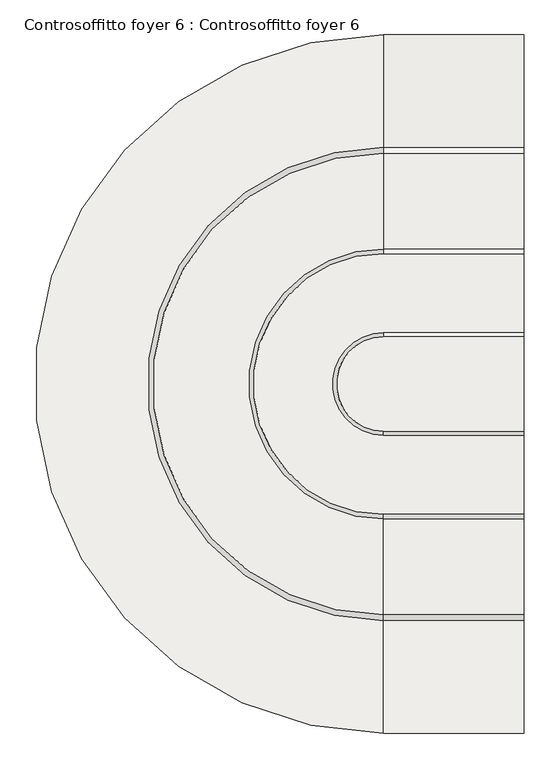
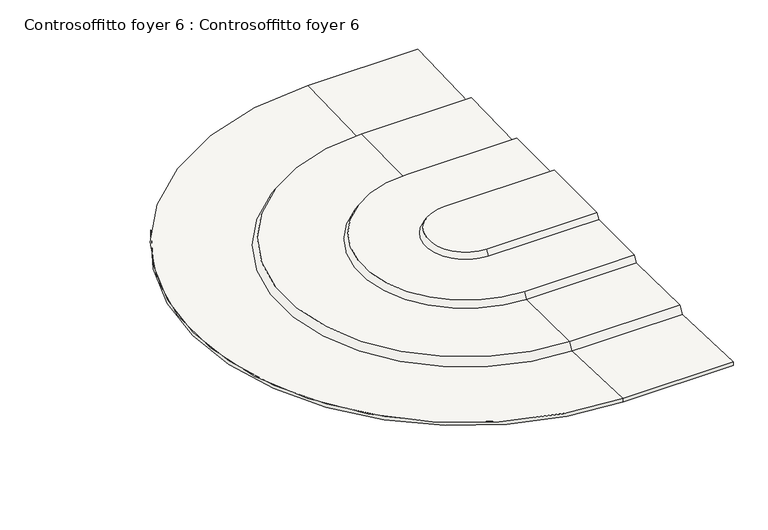
"""IFC4 building model written with IfcOpenShell, lengths in millimetres: slab geometry, Controsoffitto foyer 6 : Controsoffitto foyer 6."""

import ifcopenshell
import ifcopenshell.guid

model = None  # the IFC model being written
_history = None  # IfcOwnerHistory: only IFC2X3 demands one
_inside = {}  # id of a spatial element -> (the spatial element, [elements in it])
_under = {}  # id of a project, library or spatial element -> (it, [spatial elements below it])
_declared = {}  # id of a project -> (the project, [libraries it declares])
_typed = {}  # id of a type object -> (the type object, [elements of that type])
_made_of = {}  # id of a material, layer set ... -> (it, [elements and type objects made of it])


def new_model(schema):
    """Start an empty IFC model of exactly this schema.

    Asked for "IFC4X3", IfcOpenShell would pick the latest addendum, in which some entities
    have other attributes; the version numbers below select the first issue.
    IFC2X3 requires an IfcOwnerHistory on every rooted entity: one is made here for all.
    """
    global model, _history
    if schema == "IFC4X3":
        model = ifcopenshell.file(schema_version=(4, 3, 0, 0))
    else:
        model = ifcopenshell.file(schema=schema)
    _inside.clear()
    _under.clear()
    _declared.clear()
    _typed.clear()
    _made_of.clear()
    _history = None
    if model.schema == "IFC2X3":
        org = make("IfcOrganization", Name="unknown")
        user = make(
            "IfcPersonAndOrganization",
            ThePerson=make("IfcPerson", FamilyName="unknown"),
            TheOrganization=org,
        )
        app = make(
            "IfcApplication",
            ApplicationDeveloper=org,
            Version="unknown",
            ApplicationFullName="unknown",
            ApplicationIdentifier="unknown",
        )
        _history = make(
            "IfcOwnerHistory",
            OwningUser=user,
            OwningApplication=app,
            ChangeAction="ADDED",
            CreationDate=0,
        )
    return model


def make(cls, **values):
    """One entity of the class cls with the attributes given. An attribute that is None is left unset."""
    return model.create_entity(
        cls, **{name: value for name, value in values.items() if value is not None}
    )


def rooted(cls, **values):
    """An entity with a GlobalId (a new one), such as an element, a storey or a relation."""
    return make(cls, GlobalId=ifcopenshell.guid.new(), OwnerHistory=_history, **values)


def si_unit(unit_type, name, prefix=None):
    """IfcSIUnit, for example si_unit("LENGTHUNIT", "METRE", prefix="MILLI")."""
    return make("IfcSIUnit", UnitType=unit_type, Prefix=prefix, Name=name)


def assignment(units):
    """IfcUnitAssignment: the units of a project."""
    return None if units is None else make("IfcUnitAssignment", Units=units)


def point(xyz):
    """IfcCartesianPoint."""
    return None if xyz is None else make("IfcCartesianPoint", Coordinates=xyz)


def direction(xyz):
    """IfcDirection."""
    return None if xyz is None else make("IfcDirection", DirectionRatios=xyz)


def frame(location, z_axis=None, x_axis=None):
    """IfcAxis2Placement3D, a coordinate frame: its origin and axes. An axis left out is left unset."""
    return make(
        "IfcAxis2Placement3D",
        Location=point(location),
        Axis=direction(z_axis),
        RefDirection=direction(x_axis),
    )


def origin():
    """The frame at (0, 0, 0) with its axes left unset."""
    return frame((0.0, 0.0, 0.0))


def place(relative_to, where):
    """IfcLocalPlacement: puts the frame where relative to a parent placement (None: the world)."""
    return make(
        "IfcLocalPlacement", PlacementRelTo=relative_to, RelativePlacement=where
    )


def context(
    kind, dimensions, precision=None, world=None, true_north=None, identifier=None
):
    """IfcGeometricRepresentationContext, for example the 3D "Model" context."""
    return make(
        "IfcGeometricRepresentationContext",
        ContextIdentifier=identifier,
        ContextType=kind,
        CoordinateSpaceDimension=dimensions,
        Precision=precision,
        WorldCoordinateSystem=world,
        TrueNorth=true_north,
    )


def project(units=None, contexts=None):
    """IfcProject with its units and contexts."""
    return rooted(
        "IfcProject",
        Name="project",
        RepresentationContexts=contexts,
        UnitsInContext=assignment(units),
    )


def spatial(cls, under=None, at=None, **own):
    """A site, building, storey or space (cls), placed at a placement, below another one or the project."""
    s = rooted(cls, ObjectPlacement=at, **own)
    if under is not None:
        _under.setdefault(under.id(), (under, []))[1].append(s)
    return s


def polyline(points):
    """IfcPolyline through the points."""
    return make("IfcPolyline", Points=[point(p) for p in points])


def circle_curve(where, radius):
    """IfcCircle in the frame where."""
    return make("IfcCircle", Position=where, Radius=radius)


def shape(context_of_items, identifier, shape_type, items):
    """IfcShapeRepresentation: the items that make up one representation, for example the "Body"."""
    return make(
        "IfcShapeRepresentation",
        ContextOfItems=context_of_items,
        RepresentationIdentifier=identifier,
        RepresentationType=shape_type,
        Items=items,
    )


def source(mapping_origin, context_of_items, identifier, shape_type, items):
    """IfcRepresentationMap: a shape defined once, which mapped items show again and again."""
    return make(
        "IfcRepresentationMap",
        MappingOrigin=mapping_origin,
        MappedRepresentation=shape(context_of_items, identifier, shape_type, items),
    )


def transform(
    local_origin,
    x_axis=None,
    y_axis=None,
    z_axis=None,
    scale=None,
    scale2=None,
    scale3=None,
    uniform=True,
):
    """IfcCartesianTransformationOperator3D, or its non-uniform kind. x_axis, y_axis, z_axis: its Axis1, 2, 3."""
    if uniform:
        return make(
            "IfcCartesianTransformationOperator3D",
            Axis1=direction(x_axis),
            Axis2=direction(y_axis),
            LocalOrigin=point(local_origin),
            Scale=scale,
            Axis3=direction(z_axis),
        )
    return make(
        "IfcCartesianTransformationOperator3DnonUniform",
        Axis1=direction(x_axis),
        Axis2=direction(y_axis),
        LocalOrigin=point(local_origin),
        Scale=scale,
        Axis3=direction(z_axis),
        Scale2=scale2,
        Scale3=scale3,
    )


def mapped(mapping_source, mapping_target):
    """IfcMappedItem: shows the shape of a source again, moved by a transform."""
    return make(
        "IfcMappedItem", MappingSource=mapping_source, MappingTarget=mapping_target
    )


def made_of(thing, what):
    """Note that an element or type object is made of a material, layer set ...; save() writes the relation."""
    if what is not None:
        _made_of.setdefault(what.id(), (what, []))[1].append(thing)
    return thing


def element(
    cls,
    number,
    at=None,
    inside=None,
    cuts=None,
    type_object=None,
    material=None,
    context=None,
    identifier="Body",
    shape_type=None,
    held_by="IfcProductDefinitionShape",
    body=None,
    shapes=None,
    **own,
):
    """One element of the class cls, such as IfcWall. Its Tag is "e" and its number.

    at: its placement. inside: the storey or other place that contains it. cuts: it is an
    opening in that element (IfcRelVoidsElement). A single representation is given by context,
    identifier, shape_type and body (its items); several are given by shapes. held_by: the class
    of the entity that holds the representations. save() writes the other relations.
    """
    e = rooted(cls, Tag="e%d" % number, ObjectPlacement=at, **own)
    if body is not None:
        shapes = [shape(context, identifier, shape_type, body)]
    if shapes is not None:
        e.Representation = make(held_by, Representations=shapes)
    if inside is not None:
        _inside.setdefault(inside.id(), (inside, []))[1].append(e)
    if cuts is not None:
        rooted(
            "IfcRelVoidsElement", RelatingBuildingElement=cuts, RelatedOpeningElement=e
        )
    if type_object is not None:
        _typed.setdefault(type_object.id(), (type_object, []))[1].append(e)
    return made_of(e, material)


def aggregate(whole, parts):
    """IfcRelAggregates: a whole, such as a stair, and the parts it consists of."""
    return rooted("IfcRelAggregates", RelatingObject=whole, RelatedObjects=parts)


def save(model, path):
    """Write the relations noted so far, then the file.

    IfcRelAggregates (storeys below a building ...), IfcRelContainedInSpatialStructure (elements
    in a storey), IfcRelDefinesByType, IfcRelAssociatesMaterial and IfcRelDeclares: one each for
    every whole, place, type object, material and project.
    """
    for whole, parts in _under.values():
        aggregate(whole, parts)
    for where, things in _inside.values():
        rooted(
            "IfcRelContainedInSpatialStructure",
            RelatedElements=things,
            RelatingStructure=where,
        )
    for kind, things in _typed.values():
        rooted("IfcRelDefinesByType", RelatedObjects=things, RelatingType=kind)
    for what, things in _made_of.values():
        rooted("IfcRelAssociatesMaterial", RelatedObjects=things, RelatingMaterial=what)
    for by, libraries in _declared.values():
        rooted("IfcRelDeclares", RelatingContext=by, RelatedDefinitions=libraries)
    model.write(path)


def plane_surface(at):
    """IfcPlane: the flat surface through the origin of the frame at, square to its z axis."""
    return make("IfcPlane", Position=at)


def cylinder_surface(at, radius):
    """IfcCylindricalSurface: all points at the distance radius from the z axis of the frame at."""
    return make("IfcCylindricalSurface", Position=at, Radius=radius)


def revolved_surface(curve, axis_point, axis_direction):
    """IfcSurfaceOfRevolution: the curve turned about the line through axis_point along axis_direction."""
    return make(
        "IfcSurfaceOfRevolution",
        SweptCurve=make("IfcArbitraryOpenProfileDef", ProfileType="CURVE", Curve=curve),
        AxisPosition=make("IfcAxis1Placement", Location=point(axis_point), Axis=direction(axis_direction)),
    )


def advanced_brep(points, edges, surfaces, faces):
    """IfcAdvancedBrep: a solid bounded by faces that lie on surfaces and meet in shared edges.

    An edge is (start, end): straight between two places in points (the first is 0);
    or (start, end, curve); or (start, end, curve, False) where it runs against its curve.
    A face is (place in surfaces, loops), or (place, loops, False) where it looks against
    its surface's normal. A loop lists edges by number (the first is 1), with a minus sign
    where the edge is run from its end to its start. The first loop is the outer one.
    """
    corners = [point(p) for p in points]
    vertices = [make("IfcVertexPoint", VertexGeometry=c) for c in corners]
    made = []
    for start, end, *more in edges:
        made.append(
            make(
                "IfcEdgeCurve",
                EdgeStart=vertices[start],
                EdgeEnd=vertices[end],
                EdgeGeometry=more[0] if more else make("IfcPolyline", Points=[corners[start], corners[end]]),
                SameSense=more[1] if len(more) > 1 else True,
            )
        )
    hull = []
    for where, loops, *sense in faces:
        bounds = []
        for j, loop in enumerate(loops):
            ring = [make("IfcOrientedEdge", EdgeElement=made[abs(k) - 1], Orientation=k > 0) for k in loop]
            bounds.append(
                make(
                    "IfcFaceOuterBound" if j == 0 else "IfcFaceBound",
                    Bound=make("IfcEdgeLoop", EdgeList=ring),
                    Orientation=True,
                )
            )
        hull.append(make("IfcAdvancedFace", Bounds=bounds, FaceSurface=surfaces[where], SameSense=sense[0] if sense else True))
    return make("IfcAdvancedBrep", Outer=make("IfcClosedShell", CfsFaces=hull))


def controsoffitto_foyer_6_controsoffitto_foyer_6_a3037f4d(model_context):
    return source(origin(), model_context, "Body", "AdvancedBrep", [
        advanced_brep(
        [(-12165.4030832, 117091.5342951, 6370.0), (-12165.4030832, 117142.0651147, 6457.5219468), (-12165.4030832, 118009.510193, 6444.6868378), (-12165.4030832, 118050.7436482, 6516.1052772), (-12165.4030832, 118765.7546113, 6516.1052772), (-12165.4030832, 118802.6442467, 6580.0), (-12165.4030832, 119610.3435118, 6580.0), (-12165.4030832, 119647.2331472, 6516.1052772), (-12165.4030832, 120362.2441102, 6516.1052772), (-12165.4030832, 120403.4775655, 6444.6868378), (-12165.4030832, 121270.9226438, 6457.5219468), (-12165.4030832, 121321.4534633, 6370.0), (-12165.4030832, 122361.6793283, 6405.3996345), (-12165.4030832, 122361.6793283, 6445.4227896), (-12165.4030832, 121344.0893633, 6410.7934711), (-12165.4030832, 121293.8185331, 6497.8651032), (-12165.4030832, 120426.3734548, 6485.0299942), (-12165.4030832, 120385.338121, 6556.1052772), (-12165.4030832, 119670.3271579, 6556.1052772), (-12165.4030832, 119633.4350312, 6620.004315), (-12165.4030832, 118779.5527272, 6620.004315), (-12165.4030832, 118742.6606005, 6556.1052772), (-12165.4030832, 118027.6496374, 6556.1052772), (-12165.4030832, 117986.6143036, 6485.0299942), (-12165.4030832, 117119.1692253, 6497.8651032), (-12165.4030832, 117068.8983951, 6410.7934711), (-12165.4030832, 116051.3084301, 6445.4227896), (-12165.4030832, 116051.3084301, 6405.3996345), (-13433.9238268, 117091.5342951, 6370.0), (-13433.9238268, 117142.0651147, 6457.5219468), (-13433.9238268, 118009.510193, 6444.6868378), (-13433.9238268, 118050.7436482, 6516.1052772), (-13433.9238268, 120362.2441102, 6516.1052772), (-13433.9238268, 119647.2331472, 6516.1052772), (-13433.9238268, 118765.7546113, 6516.1052772), (-13433.9238268, 118802.6442467, 6580.0), (-13433.9238268, 119633.4350312, 6620.004315), (-13433.9238268, 118779.5527272, 6620.004315), (-13433.9238268, 118742.6606005, 6556.1052772), (-13433.9238268, 119670.3271579, 6556.1052772), (-13433.9238268, 120385.338121, 6556.1052772), (-13433.9238268, 118027.6496374, 6556.1052772), (-13433.9238268, 117986.6143036, 6485.0299942), (-13433.9238268, 117119.1692253, 6497.8651032), (-13433.9238268, 117068.8983951, 6410.7934711), (-13433.9238268, 116051.3084301, 6445.4227896), (-13433.9238268, 116051.3084301, 6405.3996345), (-13433.9238268, 121321.4534633, 6370.0), (-13433.9238268, 121270.9226438, 6457.5219468), (-13433.9238268, 120403.4775655, 6444.6868378), (-13433.9238268, 119610.3435118, 6580.0), (-13433.9238268, 120426.3734548, 6485.0299942), (-13433.9238268, 121293.8185331, 6497.8651032), (-13433.9238268, 121344.0893633, 6410.7934711), (-13433.9238268, 122361.6793283, 6445.4227896), (-13433.9238268, 122361.6793283, 6405.3996345)],
        [
            (0, 1),
            (1, 2),
            (2, 3),
            (3, 4),
            (4, 5),
            (5, 6),
            (6, 7),
            (7, 8),
            (8, 9),
            (9, 10),
            (10, 11),
            (11, 12),
            (12, 13),
            (13, 14),
            (14, 15),
            (15, 16),
            (16, 17),
            (17, 18),
            (18, 19),
            (19, 20),
            (20, 21),
            (21, 22),
            (22, 23),
            (23, 24),
            (24, 25),
            (25, 26),
            (26, 27),
            (27, 0),
            (0, 28),
            (28, 29),
            (29, 1),
            (29, 30),
            (30, 2),
            (30, 31),
            (31, 3),
            (31, 32, circle_curve(frame((-13433.9238268, 119206.4938792, 6516.1052772), z_axis=(0.0, 0.0, -1.0), x_axis=(0.0, -1.0, 0.0)), 1155.750231)),
            (32, 8),
            (7, 33),
            (33, 34, circle_curve(frame((-13433.9238268, 119206.4938792, 6516.1052772), z_axis=(0.0, 0.0, 1.0), x_axis=(0.0, -1.0, 0.0)), 440.7392679)),
            (34, 4),
            (34, 35),
            (35, 5),
            (19, 36),
            (36, 37, circle_curve(frame((-13433.9238268, 119206.4938792, 6620.004315), z_axis=(0.0, 0.0, 1.0), x_axis=(0.0, -1.0, 0.0)), 426.941152)),
            (37, 20),
            (37, 38),
            (38, 21),
            (38, 39, circle_curve(frame((-13433.9238268, 119206.4938792, 6556.1052772), z_axis=(0.0, 0.0, -1.0), x_axis=(0.0, -1.0, 0.0)), 463.8332787)),
            (39, 18),
            (17, 40),
            (40, 41, circle_curve(frame((-13433.9238268, 119206.4938792, 6556.1052772), z_axis=(0.0, 0.0, 1.0), x_axis=(0.0, -1.0, 0.0)), 1178.8442418)),
            (41, 22),
            (41, 42),
            (42, 23),
            (42, 43),
            (43, 24),
            (43, 44),
            (44, 25),
            (44, 45),
            (45, 26),
            (45, 46),
            (46, 27),
            (46, 28),
            (28, 47, circle_curve(frame((-13433.9238268, 119206.4938792, 6370.0), z_axis=(0.0, 0.0, -1.0), x_axis=(0.0, -1.0, 0.0)), 2114.9595841)),
            (47, 48),
            (48, 29, circle_curve(frame((-13433.9238268, 119206.4938792, 6457.5219468), z_axis=(0.0, 0.0, 1.0), x_axis=(0.0, -1.0, 0.0)), 2064.4287646)),
            (48, 49),
            (49, 30, circle_curve(frame((-13433.9238268, 119206.4938792, 6444.6868378), z_axis=(0.0, 0.0, 1.0), x_axis=(0.0, -1.0, 0.0)), 1196.9836862)),
            (49, 32),
            (33, 50),
            (50, 35, circle_curve(frame((-13433.9238268, 119206.4938792, 6580.0), z_axis=(0.0, 0.0, 1.0), x_axis=(0.0, -1.0, 0.0)), 403.8496325)),
            (36, 39),
            (40, 51),
            (51, 42, circle_curve(frame((-13433.9238268, 119206.4938792, 6485.0299942), z_axis=(0.0, 0.0, 1.0), x_axis=(0.0, -1.0, 0.0)), 1219.8795756)),
            (51, 52),
            (52, 43, circle_curve(frame((-13433.9238268, 119206.4938792, 6497.8651032), z_axis=(0.0, 0.0, 1.0), x_axis=(0.0, -1.0, 0.0)), 2087.3246539)),
            (52, 53),
            (53, 44, circle_curve(frame((-13433.9238268, 119206.4938792, 6410.7934711), z_axis=(0.0, 0.0, 1.0), x_axis=(0.0, -1.0, 0.0)), 2137.5954841)),
            (53, 54),
            (54, 45, circle_curve(frame((-13433.9238268, 119206.4938792, 6445.4227896), z_axis=(0.0, 0.0, 1.0), x_axis=(0.0, -1.0, 0.0)), 3155.1854491)),
            (54, 55),
            (55, 46, circle_curve(frame((-13433.9238268, 119206.4938792, 6405.3996345), z_axis=(0.0, 0.0, 1.0), x_axis=(0.0, -1.0, 0.0)), 3155.1854491)),
            (55, 47),
            (47, 11),
            (10, 48),
            (9, 49),
            (6, 50),
            (16, 51),
            (15, 52),
            (14, 53),
            (13, 54),
            (12, 55),
        ],
        [
            plane_surface(frame((-12165.4030832, 118008.4503769, 6380.0), z_axis=(1.0, 0.0, 0.0), x_axis=(0.0, 0.0, 1.0))),
            plane_surface(frame((-12165.4030832, 117091.5342951, 6370.0), z_axis=(0.0, 0.8660254037844402, -0.49999999999999745), x_axis=(-1.0, 0.0, 0.0))),
            plane_surface(frame((-12165.4030832, 117142.0651147, 6457.5219468), z_axis=(0.0, -0.014794831969328287, -0.9998905504839014), x_axis=(-1.0, 0.0, 0.0))),
            plane_surface(frame((-12165.4030832, 118009.510193, 6444.6868378), z_axis=(0.0, 0.8660254037844826, -0.4999999999999239), x_axis=(-1.0, 0.0, 0.0))),
            plane_surface(frame((-12165.4030832, 118050.7436482, 6516.1052772), z_axis=(0.0, 0.0, -1.0), x_axis=(-1.0, 0.0, 0.0))),
            plane_surface(frame((-12165.4030832, 118765.7546113, 6516.1052772), z_axis=(0.0, 0.866025403784484, -0.4999999999999214), x_axis=(-1.0, 0.0, 0.0))),
            plane_surface(frame((-12165.4030832, 118802.6442467, 6620.004315), z_axis=(0.0, 0.0, 1.0), x_axis=(-1.0, 0.0, 0.0))),
            plane_surface(frame((-12165.4030832, 118779.5527272, 6620.004315), z_axis=(0.0, -0.866025403784484, 0.4999999999999214), x_axis=(-1.0, 0.0, 0.0))),
            plane_surface(frame((-12165.4030832, 118742.6606005, 6556.1052772), z_axis=(0.0, 0.0, 1.0), x_axis=(-1.0, 0.0, 0.0))),
            plane_surface(frame((-12165.4030832, 118027.6496374, 6556.1052772), z_axis=(0.0, -0.8660254037844826, 0.4999999999999239), x_axis=(-1.0, 0.0, 0.0))),
            plane_surface(frame((-12165.4030832, 117986.6143036, 6485.0299942), z_axis=(0.0, 0.014794831969328287, 0.9998905504839014), x_axis=(-1.0, 0.0, 0.0))),
            plane_surface(frame((-12165.4030832, 117119.1692253, 6497.8651032), z_axis=(0.0, -0.8660254037844402, 0.49999999999999745), x_axis=(-1.0, 0.0, 0.0))),
            plane_surface(frame((-12165.4030832, 117068.8983951, 6410.7934711), z_axis=(0.0, 0.03401103114393968, 0.999421457524565), x_axis=(-1.0, 0.0, 0.0))),
            plane_surface(frame((-12165.4030832, 116051.3084301, 6445.4227896), z_axis=(0.0, -1.0, 0.0), x_axis=(-1.0, 0.0, 0.0))),
            plane_surface(frame((-12165.4030832, 116051.3084301, 6405.3996345), z_axis=(0.0, -0.03401103114393968, -0.999421457524565), x_axis=(-1.0, 0.0, 0.0))),
            revolved_surface(polyline([(-13433.9238268, 117091.5342951, 6370.0), (-13433.9238268, 117142.0651147, 6457.5219468)]), (-13433.9238268, 119206.4938792, 6380.0), (0.0, 0.0, -1.0)),
            revolved_surface(polyline([(-13433.9238268, 117142.0651147, 6457.5219468), (-13433.9238268, 118009.510193, 6444.6868378)]), (-13433.9238268, 119206.4938792, 6380.0), (0.0, 0.0, -1.0)),
            revolved_surface(polyline([(-13433.9238268, 118009.510193, 6444.6868378), (-13433.9238268, 118050.7436482, 6516.1052772)]), (-13433.9238268, 119206.4938792, 6380.0), (0.0, 0.0, -1.0)),
            revolved_surface(polyline([(-13433.9238268, 118765.7546113, 6516.1052772), (-13433.9238268, 118802.6442467, 6580.0)]), (-13433.9238268, 119206.4938792, 6380.0), (0.0, 0.0, -1.0)),
            revolved_surface(polyline([(-13433.9238268, 118779.5527272, 6620.004315), (-13433.9238268, 118742.6606005, 6556.1052772)]), (-13433.9238268, 119206.4938792, 6380.0), (0.0, 0.0, -1.0)),
            revolved_surface(polyline([(-13433.9238268, 118027.6496374, 6556.1052772), (-13433.9238268, 117986.6143036, 6485.0299942)]), (-13433.9238268, 119206.4938792, 6380.0), (0.0, 0.0, -1.0)),
            revolved_surface(polyline([(-13433.9238268, 117986.6143036, 6485.0299942), (-13433.9238268, 117119.1692253, 6497.8651032)]), (-13433.9238268, 119206.4938792, 6380.0), (0.0, 0.0, -1.0)),
            revolved_surface(polyline([(-13433.9238268, 117119.1692253, 6497.8651032), (-13433.9238268, 117068.8983951, 6410.7934711)]), (-13433.9238268, 119206.4938792, 6380.0), (0.0, 0.0, -1.0)),
            revolved_surface(polyline([(-13433.9238268, 117068.8983951, 6410.7934711), (-13433.9238268, 116051.3084301, 6445.4227896)]), (-13433.9238268, 119206.4938792, 6380.0), (0.0, 0.0, -1.0)),
            cylinder_surface(frame((-13433.9238268, 119206.4938792, 6380.0), z_axis=(0.0, 0.0, -1.0), x_axis=(0.0, -1.0, 0.0)), 3155.1854491),
            revolved_surface(polyline([(-13433.9238268, 116051.3084301, 6405.3996345), (-13433.9238268, 117091.5342951, 6370.0)]), (-13433.9238268, 119206.4938792, 6380.0), (0.0, 0.0, -1.0)),
            plane_surface(frame((-13433.9238268, 121321.4534633, 6370.0), z_axis=(0.0, -0.8660254037844402, -0.49999999999999745), x_axis=(1.0, 0.0, 0.0))),
            plane_surface(frame((-13433.9238268, 121270.9226438, 6457.5219468), z_axis=(0.0, 0.014794831969328287, -0.9998905504839014), x_axis=(1.0, 0.0, 0.0))),
            plane_surface(frame((-13433.9238268, 120403.4775655, 6444.6868378), z_axis=(0.0, -0.8660254037844826, -0.4999999999999239), x_axis=(1.0, 0.0, 0.0))),
            plane_surface(frame((-13433.9238268, 119647.2331472, 6516.1052772), z_axis=(0.0, -0.866025403784484, -0.4999999999999214), x_axis=(1.0, 0.0, 0.0))),
            plane_surface(frame((-13433.9238268, 119633.4350312, 6620.004315), z_axis=(0.0, 0.866025403784484, 0.4999999999999214), x_axis=(1.0, 0.0, 0.0))),
            plane_surface(frame((-13433.9238268, 120385.338121, 6556.1052772), z_axis=(0.0, 0.8660254037844826, 0.4999999999999239), x_axis=(1.0, 0.0, 0.0))),
            plane_surface(frame((-13433.9238268, 120426.3734548, 6485.0299942), z_axis=(0.0, -0.014794831969328287, 0.9998905504839014), x_axis=(1.0, 0.0, 0.0))),
            plane_surface(frame((-13433.9238268, 121293.8185331, 6497.8651032), z_axis=(0.0, 0.8660254037844402, 0.49999999999999745), x_axis=(1.0, 0.0, 0.0))),
            plane_surface(frame((-13433.9238268, 121344.0893633, 6410.7934711), z_axis=(0.0, -0.03401103114393968, 0.999421457524565), x_axis=(1.0, 0.0, 0.0))),
            plane_surface(frame((-13433.9238268, 122361.6793283, 6445.4227896), z_axis=(0.0, 1.0, 0.0), x_axis=(1.0, 0.0, 0.0))),
            plane_surface(frame((-13433.9238268, 122361.6793283, 6405.3996345), z_axis=(0.0, 0.03401103114393968, -0.999421457524565), x_axis=(1.0, 0.0, 0.0))),
            plane_surface(frame((-12165.4030832, 118792.4209069, 6580.0), z_axis=(0.0, 0.0, -1.0), x_axis=(-1.0, 0.0, 0.0))),
        ],
        [
            (0, [[1, 2, 3, 4, 5, 6, 7, 8, 9, 10, 11, 12, 13, 14, 15, 16, 17, 18, 19, 20, 21, 22, 23, 24, 25, 26, 27, 28]]),
            (1, [[-1, 29, 30, 31]]),
            (2, [[-2, -31, 32, 33]]),
            (3, [[-3, -33, 34, 35]]),
            (4, [[-4, -35, 36, 37, -8, 38, 39, 40]]),
            (5, [[-5, -40, 41, 42]]),
            (6, [[-20, 43, 44, 45]]),
            (7, [[-21, -45, 46, 47]]),
            (8, [[-22, -47, 48, 49, -18, 50, 51, 52]]),
            (9, [[-23, -52, 53, 54]]),
            (10, [[-24, -54, 55, 56]]),
            (11, [[-25, -56, 57, 58]]),
            (12, [[-26, -58, 59, 60]]),
            (13, [[-27, -60, 61, 62]]),
            (14, [[-28, -62, 63, -29]]),
            (15, [[-30, 64, 65, 66]]),
            (16, [[-32, -66, 67, 68]]),
            (17, [[-34, -68, 69, -36]]),
            (18, [[-39, 70, 71, -41]]),
            (19, [[-44, 72, -48, -46]]),
            (20, [[-51, 73, 74, -53]]),
            (21, [[-55, -74, 75, 76]]),
            (22, [[-57, -76, 77, 78]]),
            (23, [[-59, -78, 79, 80]]),
            (24, [[-61, -80, 81, 82]]),
            (25, [[-63, -82, 83, -64]]),
            (26, [[-65, 84, -11, 85]]),
            (27, [[-67, -85, -10, 86]]),
            (28, [[-37, -69, -86, -9]]),
            (29, [[-38, -7, 87, -70]]),
            (30, [[-43, -19, -49, -72]]),
            (31, [[-50, -17, 88, -73]]),
            (32, [[-75, -88, -16, 89]]),
            (33, [[-77, -89, -15, 90]]),
            (34, [[-79, -90, -14, 91]]),
            (35, [[-81, -91, -13, 92]]),
            (36, [[-83, -92, -12, -84]]),
            (37, [[-6, -42, -71, -87]]),
        ],
    ),
    ])


if __name__ == "__main__":
    model = new_model("IFC4")
    model_context = context("Model", 3, world=origin())
    ifc_project = project(units=[si_unit("LENGTHUNIT", "METRE", prefix="MILLI")], contexts=[model_context])
    site = spatial("IfcSite", under=ifc_project)
    building = spatial("IfcBuilding", under=site)
    placement = place(None, origin())
    controsoffitto_foyer_6_controsoffitto_foyer_6_shape = controsoffitto_foyer_6_controsoffitto_foyer_6_a3037f4d(model_context)
    element("IfcSlab", 1, ObjectType="Controsoffitto foyer 6 : Controsoffitto foyer 6", at=placement, inside=building, context=model_context, shape_type="MappedRepresentation", body=[
        mapped(controsoffitto_foyer_6_controsoffitto_foyer_6_shape, transform((0.0, 0.0, 0.0), x_axis=(1.0, 0.0, 0.0), y_axis=(0.0, 1.0, 0.0), z_axis=(0.0, 0.0, 1.0))),
    ])
    save(model, "model.ifc")
